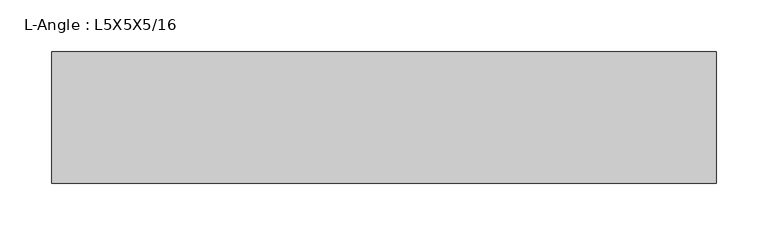
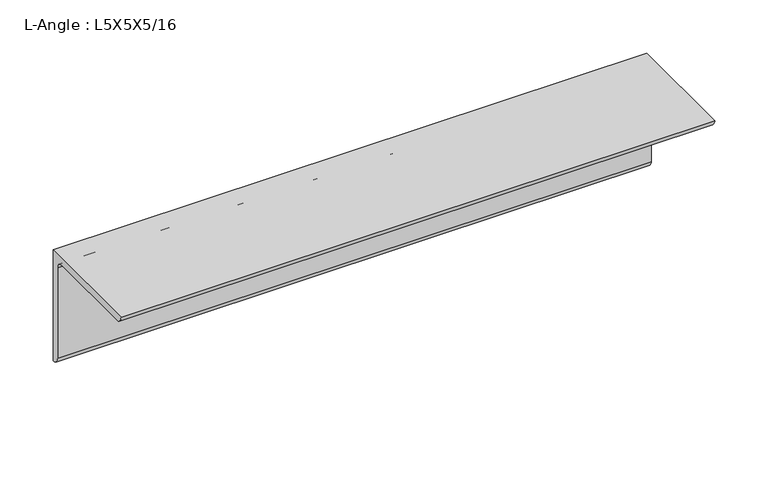
"""IFC4 building model written with IfcOpenShell, lengths in millimetres: beam geometry, L-Angle : L5X5X5/16."""

from ifc_helpers import new_model, si_unit, point, frame, frame_2d, origin, place, context, project, spatial, polyline, circle_curve, trimmed, segment, composite_curve, outline, extrude, source, transform, mapped, element, save


def l_angle_l5x5x5_16_174413b0(model_context):
    return source(origin(), model_context, "Body", "SweptSolid", [
        extrude(outline(composite_curve([segment(polyline([(34.3296875, 34.3296875), (34.3296875, -92.6703125)]), True, "CONTINUOUS"), segment(trimmed(circle_curve(frame_2d((34.3296875, -84.7328125)), 7.9375), [point((34.3296875, -92.6703125))], [point((26.3921875, -84.7328125))], False, "CARTESIAN"), True, "CONTINUOUS"), segment(polyline([(26.3921875, -84.7328125), (26.3921875, 18.4546875)]), True, "CONTINUOUS"), segment(trimmed(circle_curve(frame_2d((18.4546875, 18.4546875)), 7.9375), [point((26.3921875, 18.4546875))], [point((18.4546875, 26.3921875))], True, "CARTESIAN"), True, "CONTINUOUS"), segment(polyline([(18.4546875, 26.3921875), (-84.7328125, 26.3921875)]), True, "CONTINUOUS"), segment(trimmed(circle_curve(frame_2d((-84.7328125, 34.3296875)), 7.9375), [point((-84.7328125, 26.3921875))], [point((-92.6703125, 34.3296875))], False, "CARTESIAN"), True, "CONTINUOUS"), segment(polyline([(-92.6703125, 34.3296875), (34.3296875, 34.3296875)]), True, "CONTINUOUS")], self_intersect=False)), frame((-321.2703125, 0.0, 0.0), z_axis=(1.0, 0.0, 0.0), x_axis=(0.0, 1.0, 0.0)), (0.0, 0.0, 1.0), 642.540625),
    ])


if __name__ == "__main__":
    model = new_model("IFC4")
    model_context = context("Model", 3, world=origin())
    ifc_project = project(units=[si_unit("LENGTHUNIT", "METRE", prefix="MILLI")], contexts=[model_context])
    site = spatial("IfcSite", under=ifc_project)
    building = spatial("IfcBuilding", under=site)
    placement = place(None, origin())
    l_angle_l5x5x5_16_shape = l_angle_l5x5x5_16_174413b0(model_context)
    element("IfcBeam", 1, ObjectType="L-Angle : L5X5X5/16", at=placement, inside=building, context=model_context, shape_type="MappedRepresentation", body=[
        mapped(l_angle_l5x5x5_16_shape, transform((0.0, 0.0, 0.0), x_axis=(1.0, 0.0, 0.0), y_axis=(0.0, 1.0, 0.0), z_axis=(0.0, 0.0, 1.0))),
    ])
    save(model, "model.ifc")
